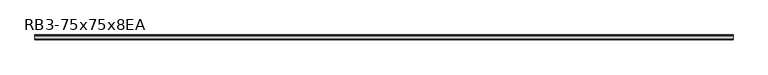
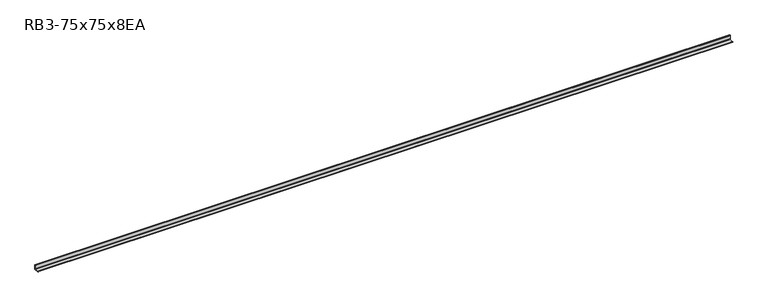
"""IFC4 building model written with IfcOpenShell, lengths in millimetres: member geometry, RB3-75x75x8EA."""

import ifcopenshell
import ifcopenshell.guid

model = None  # the IFC model being written
_history = None  # IfcOwnerHistory: only IFC2X3 demands one
_inside = {}  # id of a spatial element -> (the spatial element, [elements in it])
_under = {}  # id of a project, library or spatial element -> (it, [spatial elements below it])
_declared = {}  # id of a project -> (the project, [libraries it declares])
_typed = {}  # id of a type object -> (the type object, [elements of that type])
_made_of = {}  # id of a material, layer set ... -> (it, [elements and type objects made of it])


def new_model(schema):
    """Start an empty IFC model of exactly this schema.

    Asked for "IFC4X3", IfcOpenShell would pick the latest addendum, in which some entities
    have other attributes; the version numbers below select the first issue.
    IFC2X3 requires an IfcOwnerHistory on every rooted entity: one is made here for all.
    """
    global model, _history
    if schema == "IFC4X3":
        model = ifcopenshell.file(schema_version=(4, 3, 0, 0))
    else:
        model = ifcopenshell.file(schema=schema)
    _inside.clear()
    _under.clear()
    _declared.clear()
    _typed.clear()
    _made_of.clear()
    _history = None
    if model.schema == "IFC2X3":
        org = make("IfcOrganization", Name="unknown")
        user = make(
            "IfcPersonAndOrganization",
            ThePerson=make("IfcPerson", FamilyName="unknown"),
            TheOrganization=org,
        )
        app = make(
            "IfcApplication",
            ApplicationDeveloper=org,
            Version="unknown",
            ApplicationFullName="unknown",
            ApplicationIdentifier="unknown",
        )
        _history = make(
            "IfcOwnerHistory",
            OwningUser=user,
            OwningApplication=app,
            ChangeAction="ADDED",
            CreationDate=0,
        )
    return model


def make(cls, **values):
    """One entity of the class cls with the attributes given. An attribute that is None is left unset."""
    return model.create_entity(
        cls, **{name: value for name, value in values.items() if value is not None}
    )


def rooted(cls, **values):
    """An entity with a GlobalId (a new one), such as an element, a storey or a relation."""
    return make(cls, GlobalId=ifcopenshell.guid.new(), OwnerHistory=_history, **values)


def si_unit(unit_type, name, prefix=None):
    """IfcSIUnit, for example si_unit("LENGTHUNIT", "METRE", prefix="MILLI")."""
    return make("IfcSIUnit", UnitType=unit_type, Prefix=prefix, Name=name)


def assignment(units):
    """IfcUnitAssignment: the units of a project."""
    return None if units is None else make("IfcUnitAssignment", Units=units)


def point(xyz):
    """IfcCartesianPoint."""
    return None if xyz is None else make("IfcCartesianPoint", Coordinates=xyz)


def direction(xyz):
    """IfcDirection."""
    return None if xyz is None else make("IfcDirection", DirectionRatios=xyz)


def frame(location, z_axis=None, x_axis=None):
    """IfcAxis2Placement3D, a coordinate frame: its origin and axes. An axis left out is left unset."""
    return make(
        "IfcAxis2Placement3D",
        Location=point(location),
        Axis=direction(z_axis),
        RefDirection=direction(x_axis),
    )


def frame_2d(location, x_axis=None):
    """IfcAxis2Placement2D, a coordinate frame in the plane: its origin and x axis."""
    return make(
        "IfcAxis2Placement2D", Location=point(location), RefDirection=direction(x_axis)
    )


def origin():
    """The frame at (0, 0, 0) with its axes left unset."""
    return frame((0.0, 0.0, 0.0))


def place(relative_to, where):
    """IfcLocalPlacement: puts the frame where relative to a parent placement (None: the world)."""
    return make(
        "IfcLocalPlacement", PlacementRelTo=relative_to, RelativePlacement=where
    )


def context(
    kind, dimensions, precision=None, world=None, true_north=None, identifier=None
):
    """IfcGeometricRepresentationContext, for example the 3D "Model" context."""
    return make(
        "IfcGeometricRepresentationContext",
        ContextIdentifier=identifier,
        ContextType=kind,
        CoordinateSpaceDimension=dimensions,
        Precision=precision,
        WorldCoordinateSystem=world,
        TrueNorth=true_north,
    )


def project(units=None, contexts=None):
    """IfcProject with its units and contexts."""
    return rooted(
        "IfcProject",
        Name="project",
        RepresentationContexts=contexts,
        UnitsInContext=assignment(units),
    )


def spatial(cls, under=None, at=None, **own):
    """A site, building, storey or space (cls), placed at a placement, below another one or the project."""
    s = rooted(cls, ObjectPlacement=at, **own)
    if under is not None:
        _under.setdefault(under.id(), (under, []))[1].append(s)
    return s


def polyline(points):
    """IfcPolyline through the points."""
    return make("IfcPolyline", Points=[point(p) for p in points])


def circle_curve(where, radius):
    """IfcCircle in the frame where."""
    return make("IfcCircle", Position=where, Radius=radius)


def trimmed(basis, trim1, trim2, sense, master):
    """IfcTrimmedCurve: the piece of a basis curve between two trims."""
    return make(
        "IfcTrimmedCurve",
        BasisCurve=basis,
        Trim1=trim1,
        Trim2=trim2,
        SenseAgreement=sense,
        MasterRepresentation=master,
    )


def segment(curve, same_sense, transition):
    """IfcCompositeCurveSegment."""
    return make(
        "IfcCompositeCurveSegment",
        Transition=transition,
        SameSense=same_sense,
        ParentCurve=curve,
    )


def composite_curve(segments, self_intersect=None):
    """IfcCompositeCurve: segments joined end to end."""
    return make("IfcCompositeCurve", Segments=segments, SelfIntersect=self_intersect)


def outline(outer, holes=None, kind="AREA"):
    """IfcArbitraryClosedProfileDef: a profile drawn as a closed curve; with holes, ...WithVoids."""
    if holes is None:
        return make("IfcArbitraryClosedProfileDef", ProfileType=kind, OuterCurve=outer)
    return make(
        "IfcArbitraryProfileDefWithVoids",
        ProfileType=kind,
        OuterCurve=outer,
        InnerCurves=holes,
    )


def extrude(swept, where, along, depth):
    """IfcExtrudedAreaSolid: the profile swept, set in the frame where, extruded along a direction by depth."""
    return make(
        "IfcExtrudedAreaSolid",
        SweptArea=swept,
        Position=where,
        ExtrudedDirection=direction(along),
        Depth=depth,
    )


def shape(context_of_items, identifier, shape_type, items):
    """IfcShapeRepresentation: the items that make up one representation, for example the "Body"."""
    return make(
        "IfcShapeRepresentation",
        ContextOfItems=context_of_items,
        RepresentationIdentifier=identifier,
        RepresentationType=shape_type,
        Items=items,
    )


def source(mapping_origin, context_of_items, identifier, shape_type, items):
    """IfcRepresentationMap: a shape defined once, which mapped items show again and again."""
    return make(
        "IfcRepresentationMap",
        MappingOrigin=mapping_origin,
        MappedRepresentation=shape(context_of_items, identifier, shape_type, items),
    )


def transform(
    local_origin,
    x_axis=None,
    y_axis=None,
    z_axis=None,
    scale=None,
    scale2=None,
    scale3=None,
    uniform=True,
):
    """IfcCartesianTransformationOperator3D, or its non-uniform kind. x_axis, y_axis, z_axis: its Axis1, 2, 3."""
    if uniform:
        return make(
            "IfcCartesianTransformationOperator3D",
            Axis1=direction(x_axis),
            Axis2=direction(y_axis),
            LocalOrigin=point(local_origin),
            Scale=scale,
            Axis3=direction(z_axis),
        )
    return make(
        "IfcCartesianTransformationOperator3DnonUniform",
        Axis1=direction(x_axis),
        Axis2=direction(y_axis),
        LocalOrigin=point(local_origin),
        Scale=scale,
        Axis3=direction(z_axis),
        Scale2=scale2,
        Scale3=scale3,
    )


def mapped(mapping_source, mapping_target):
    """IfcMappedItem: shows the shape of a source again, moved by a transform."""
    return make(
        "IfcMappedItem", MappingSource=mapping_source, MappingTarget=mapping_target
    )


def made_of(thing, what):
    """Note that an element or type object is made of a material, layer set ...; save() writes the relation."""
    if what is not None:
        _made_of.setdefault(what.id(), (what, []))[1].append(thing)
    return thing


def element(
    cls,
    number,
    at=None,
    inside=None,
    cuts=None,
    type_object=None,
    material=None,
    context=None,
    identifier="Body",
    shape_type=None,
    held_by="IfcProductDefinitionShape",
    body=None,
    shapes=None,
    **own,
):
    """One element of the class cls, such as IfcWall. Its Tag is "e" and its number.

    at: its placement. inside: the storey or other place that contains it. cuts: it is an
    opening in that element (IfcRelVoidsElement). A single representation is given by context,
    identifier, shape_type and body (its items); several are given by shapes. held_by: the class
    of the entity that holds the representations. save() writes the other relations.
    """
    e = rooted(cls, Tag="e%d" % number, ObjectPlacement=at, **own)
    if body is not None:
        shapes = [shape(context, identifier, shape_type, body)]
    if shapes is not None:
        e.Representation = make(held_by, Representations=shapes)
    if inside is not None:
        _inside.setdefault(inside.id(), (inside, []))[1].append(e)
    if cuts is not None:
        rooted(
            "IfcRelVoidsElement", RelatingBuildingElement=cuts, RelatedOpeningElement=e
        )
    if type_object is not None:
        _typed.setdefault(type_object.id(), (type_object, []))[1].append(e)
    return made_of(e, material)


def aggregate(whole, parts):
    """IfcRelAggregates: a whole, such as a stair, and the parts it consists of."""
    return rooted("IfcRelAggregates", RelatingObject=whole, RelatedObjects=parts)


def save(model, path):
    """Write the relations noted so far, then the file.

    IfcRelAggregates (storeys below a building ...), IfcRelContainedInSpatialStructure (elements
    in a storey), IfcRelDefinesByType, IfcRelAssociatesMaterial and IfcRelDeclares: one each for
    every whole, place, type object, material and project.
    """
    for whole, parts in _under.values():
        aggregate(whole, parts)
    for where, things in _inside.values():
        rooted(
            "IfcRelContainedInSpatialStructure",
            RelatedElements=things,
            RelatingStructure=where,
        )
    for kind, things in _typed.values():
        rooted("IfcRelDefinesByType", RelatedObjects=things, RelatingType=kind)
    for what, things in _made_of.values():
        rooted("IfcRelAssociatesMaterial", RelatedObjects=things, RelatingMaterial=what)
    for by, libraries in _declared.values():
        rooted("IfcRelDeclares", RelatingContext=by, RelatedDefinitions=libraries)
    model.write(path)


def rb3_75x75x8ea_bc54dbc0(model_context):
    return source(origin(), model_context, "Body", "SweptSolid", [
        extrude(outline(composite_curve([segment(polyline([(21.3, -21.3), (-53.7, -21.3), (-53.7, -18.3)]), True, "CONTINUOUS"), segment(trimmed(circle_curve(frame_2d((-48.7, -18.3)), 5.0), [point((-53.7, -18.3))], [point((-48.7, -13.3))], False, "CARTESIAN"), True, "CONTINUOUS"), segment(polyline([(-48.7, -13.3), (5.3, -13.3)]), True, "CONTINUOUS"), segment(trimmed(circle_curve(frame_2d((5.3, -5.3)), 8.0), [point((5.3, -13.3))], [point((13.3, -5.3))], True, "CARTESIAN"), True, "CONTINUOUS"), segment(polyline([(13.3, -5.3), (13.3, 48.7)]), True, "CONTINUOUS"), segment(trimmed(circle_curve(frame_2d((18.3, 48.7)), 5.0), [point((13.3, 48.7))], [point((18.3, 53.7))], False, "CARTESIAN"), True, "CONTINUOUS"), segment(polyline([(18.3, 53.7), (21.3, 53.7), (21.3, -21.3)]), True, "CONTINUOUS")], self_intersect=False)), frame((-5403.5, 0.0, 0.0), z_axis=(1.0, 0.0, 0.0), x_axis=(0.0, 1.0, 0.0)), (0.0, 0.0, 1.0), 10853.0),
    ])


if __name__ == "__main__":
    model = new_model("IFC4")
    model_context = context("Model", 3, world=origin())
    ifc_project = project(units=[si_unit("LENGTHUNIT", "METRE", prefix="MILLI")], contexts=[model_context])
    site = spatial("IfcSite", under=ifc_project)
    building = spatial("IfcBuilding", under=site)
    placement = place(None, origin())
    rb3_75x75x8ea_shape = rb3_75x75x8ea_bc54dbc0(model_context)
    element("IfcMember", 1, ObjectType="RB3-75x75x8EA", at=placement, inside=building, context=model_context, shape_type="MappedRepresentation", body=[
        mapped(rb3_75x75x8ea_shape, transform((0.0, 0.0, 0.0), x_axis=(1.0, 0.0, 0.0), y_axis=(0.0, 1.0, 0.0), z_axis=(0.0, 0.0, 1.0))),
    ])
    save(model, "model.ifc")
